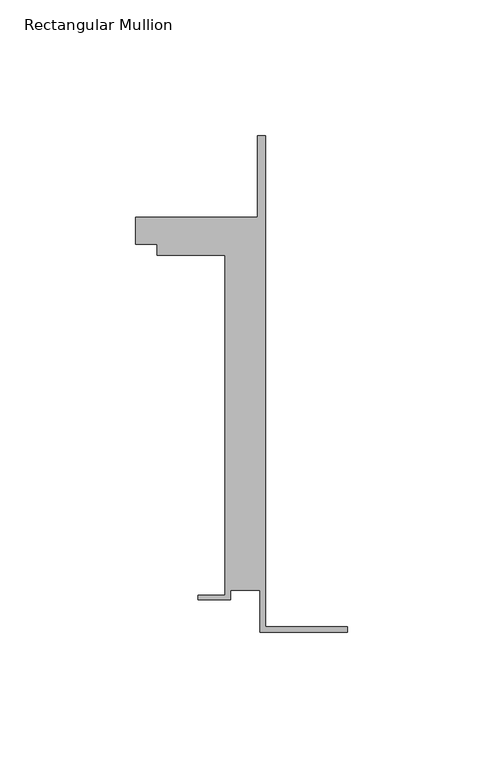
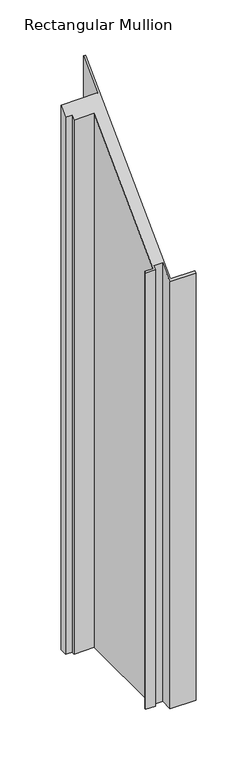
"""IFC4 building model written with IfcOpenShell, lengths in millimetres: member geometry, Rectangular Mullion."""

from ifc_helpers import new_model, si_unit, origin, place, context, project, spatial, faceted_brep, source, transform, mapped, element, save


def rectangular_mullion_e9550af3(model_context):
    return source(origin(), model_context, "Body", "Brep", [
        faceted_brep([(-32.1465839, -41.25, -596.2474591), (-32.1465839, -25.75, -596.2474591), (-43.1465839, -25.75, -596.2474591), (-43.1465839, -29.25, -596.2474591), (-55.1465839, -29.25, -596.2474591), (-55.1465839, -27.75, -596.2474591), (-45.1465839, -27.75, -596.2474591), (-45.1465839, 97.75, -596.2474591), (-70.1466122, 97.75, -596.2474591), (-70.1466122, 101.75, -596.2474591), (-78.1466122, 101.75, -596.2474591), (-78.1466122, 111.75, -596.2474591), (-33.1466122, 111.75, -596.2474591), (-33.1466122, 141.75, -596.2474591), (-30.1465839, 141.75, -596.2474591), (-30.1465839, -39.25, -596.2474591), (0.0, -39.25, -596.2474591), (0.0, -41.25, -596.2474591), (0.0, -41.25, -41.25), (-32.1465839, -41.25, -41.25), (0.0, -39.25, -39.25), (-30.1465839, -39.25, -39.25), (-30.1465839, 141.75, 141.75), (-33.1466122, 141.75, 141.75), (-33.1466122, 111.75, 111.75), (-78.1466122, 111.75, 111.75), (-78.1466122, 101.75, 101.75), (-70.1466122, 101.75, 101.75), (-70.1466122, 97.75, 97.75), (-45.1465839, 97.75, 97.75), (-45.1465839, -27.75, -27.75), (-55.1465839, -27.75, -27.75), (-55.1465839, -29.25, -29.25), (-43.1465839, -29.25, -29.25), (-43.1465839, -25.75, -25.75), (-32.1465839, -25.75, -25.75)], [[[0, 1, 2, 3, 4, 5, 6, 7, 8, 9, 10, 11, 12, 13, 14, 15, 16, 17]], [[18, 19, 0, 17]], [[20, 18, 17, 16]], [[21, 20, 16, 15]], [[22, 21, 15, 14]], [[23, 22, 14, 13]], [[24, 23, 13, 12]], [[25, 24, 12, 11]], [[26, 25, 11, 10]], [[27, 26, 10, 9]], [[28, 27, 9, 8]], [[29, 28, 8, 7]], [[30, 29, 7, 6]], [[31, 30, 6, 5]], [[32, 31, 5, 4]], [[33, 32, 4, 3]], [[34, 33, 3, 2]], [[35, 34, 2, 1]], [[19, 35, 1, 0]], [[19, 18, 20, 21, 22, 23, 24, 25, 26, 27, 28, 29, 30, 31, 32, 33, 34, 35]]]),
    ])


if __name__ == "__main__":
    model = new_model("IFC4")
    model_context = context("Model", 3, world=origin())
    ifc_project = project(units=[si_unit("LENGTHUNIT", "METRE", prefix="MILLI")], contexts=[model_context])
    site = spatial("IfcSite", under=ifc_project)
    building = spatial("IfcBuilding", under=site)
    placement = place(None, origin())
    rectangular_mullion_shape = rectangular_mullion_e9550af3(model_context)
    element("IfcMember", 1, ObjectType="Rectangular Mullion", at=placement, inside=building, context=model_context, shape_type="MappedRepresentation", body=[
        mapped(rectangular_mullion_shape, transform((0.0, 0.0, 0.0), x_axis=(1.0, 0.0, 0.0), y_axis=(0.0, 1.0, 0.0), z_axis=(0.0, 0.0, 1.0))),
    ])
    save(model, "model.ifc")
